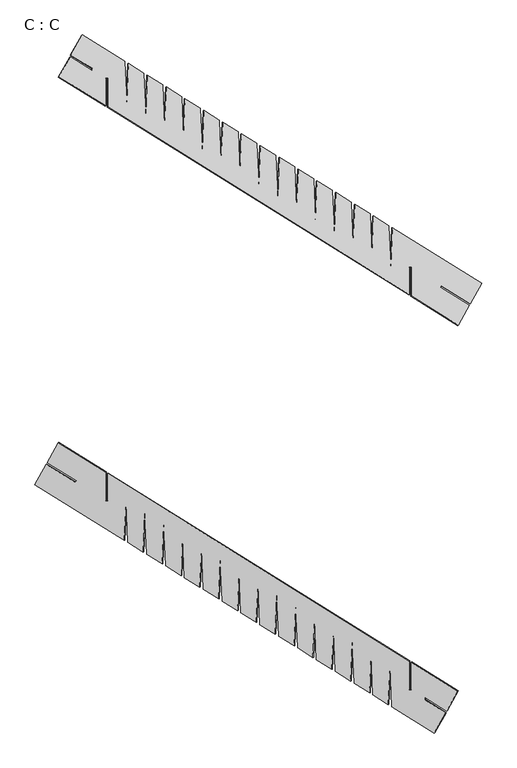
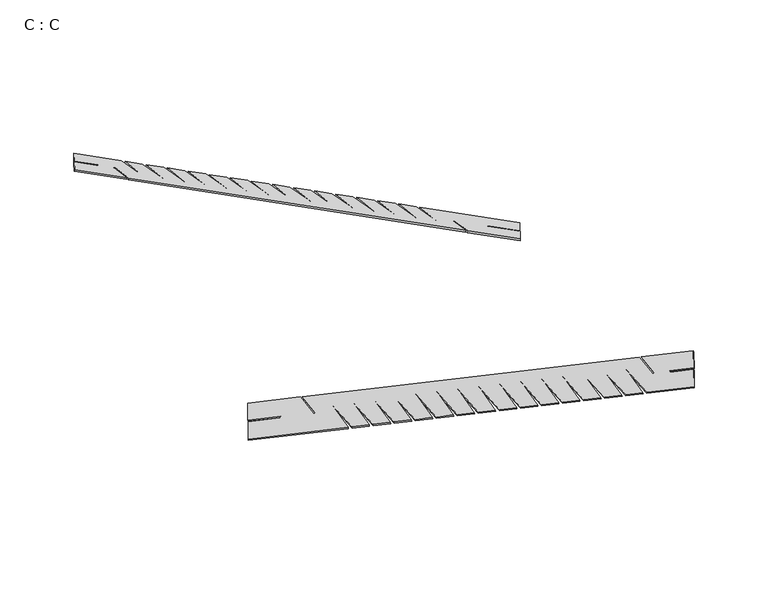
"""IFC4 building model written with IfcOpenShell, lengths in millimetres: proxy geometry, C : C."""

from ifc_helpers import new_model, si_unit, origin, place, context, project, spatial, faceted_brep, source, transform, mapped, element, save


def c_c_dd6566dd(model_context):
    return source(origin(), model_context, "Body", "Brep", [
        faceted_brep([(1401.1043704, 2129.5643888, 204.5375248), (1345.4773465, 2029.4722399, 174.1607995), (1492.1152035, 1938.2333028, 202.9374207), (1486.8321792, 1929.742734, 200.1991682), (1340.6075387, 2020.7083243, 171.5012915), (1282.6975086, 1918.9817978, 140.2352116), (1733.3795101, 1638.5648057, 228.6783019), (1741.8578862, 1831.2338343, 258.9386869), (1750.338653, 1628.0127273, 232.0064113), (1828.2747538, 1579.5204269, 247.3008086), (1836.7531298, 1772.1894555, 277.5611936), (1845.2338966, 1568.9683485, 250.628918), (1923.1699975, 1520.4760481, 265.9233153), (1931.6483735, 1713.1450768, 296.1837003), (1940.1291403, 1509.9239697, 269.2514247), (2018.0652411, 1461.4316694, 284.5458221), (2026.5436172, 1654.100698, 314.8062071), (2035.024384, 1450.879591, 287.8739315), (2112.9604848, 1402.3872906, 303.1683288), (2121.4388608, 1595.0563192, 333.4287138), (2129.9196276, 1391.8352122, 306.4964382), (2207.8557285, 1343.3429119, 321.7908355), (2216.3341045, 1536.0119405, 352.0512205), (2224.8148713, 1332.7908334, 325.1189449), (2302.7509722, 1284.2985331, 340.4133423), (2311.2293482, 1476.9675617, 370.6737273), (2319.710115, 1273.7464547, 343.7414516), (2397.6462158, 1225.2541543, 359.035849), (2406.1245918, 1417.9231829, 389.296234), (2414.6053586, 1214.7020759, 362.3639584), (2492.5414595, 1166.2097756, 377.6583557), (2501.0198355, 1358.8788042, 407.9187407), (2509.5006023, 1155.6576972, 380.9864651), (2587.4367032, 1107.1653968, 396.2808624), (2595.9150792, 1299.8344254, 426.5412474), (2604.395846, 1096.6133184, 399.6089718), (2682.3319468, 1048.121018, 414.9033692), (2690.8103228, 1240.7900467, 445.1637542), (2699.2910896, 1037.5689396, 418.2314786), (2777.2271905, 989.0766393, 433.5258759), (2785.7055665, 1181.7456679, 463.7862609), (2794.1863333, 978.5245609, 436.8539853), (2872.1224342, 930.0322605, 452.1483826), (2880.6008102, 1122.7012891, 482.4087676), (2889.081577, 919.4801821, 455.476492), (2967.0176778, 870.9878818, 470.7708894), (2975.4960539, 1063.6569104, 501.0312744), (2983.9768207, 860.4358033, 474.0989988), (3061.9129215, 811.943503, 489.3933961), (3070.3912975, 1004.6125316, 519.6537811), (3078.8720643, 801.3914246, 492.7215055), (3292.7369091, 668.3234603, 534.6909378), (3350.6322577, 770.0425096, 565.9517367), (3243.6509503, 836.6397614, 544.9621734), (3243.6508792, 848.4175033, 546.6636566), (3355.0329774, 779.1149067, 568.5215895), (3411.1437708, 878.9060512, 598.993251), (3176.6487524, 1024.8102309, 552.975296), (3176.6495832, 887.2387149, 533.1008907), (3166.6494747, 887.4179213, 530.2654347), (3166.6486074, 1031.03238, 551.0128397), (1648.3247087, 1975.7424401, 253.052732), (1648.3255395, 1838.1709241, 233.1783267), (1638.325431, 1838.3501305, 230.3428707), (1638.3245637, 1981.9645892, 251.0902757), (1641.0316878, 1983.3309972, 241.6305256), (1403.8149335, 2130.9325332, 195.0657554), (1641.0359942, 1839.718275, 220.8711013), (1651.0361027, 1839.5390686, 223.7065573), (1651.0352719, 1977.1105846, 243.5809626), (3169.3591706, 1032.4005244, 541.5410703), (3169.3600379, 888.7860658, 520.7936653), (3179.3601463, 888.6068594, 523.6291212), (3179.3593155, 1026.1783754, 543.5035266), (3413.854334, 880.2741957, 589.5214816), (3357.7435406, 780.4830511, 559.0498201), (3246.3614424, 849.7856478, 537.1918872), (3246.3615135, 838.0079059, 535.490404), (3353.3428208, 771.410654, 556.4799673), (3295.4474722, 669.6916048, 525.2191684), (3081.5826275, 802.7595691, 483.2497361), (3073.1018607, 1005.9806761, 510.1820117), (3064.6234847, 813.3116475, 479.9216267), (2986.6873838, 861.8039478, 464.6272293), (2978.206617, 1065.0250548, 491.5595049), (2969.728241, 872.3560262, 461.2991199), (2891.7921401, 920.8483266, 446.0047226), (2883.3113733, 1124.0694336, 472.9369982), (2874.8329973, 931.400405, 442.6766132), (2796.8968965, 979.8927053, 427.3822159), (2788.4161297, 1183.1138124, 454.3144915), (2779.9377536, 990.4447838, 424.0541065), (2702.0016528, 1038.9370841, 408.7597091), (2693.520886, 1242.1581911, 435.6919848), (2685.04251, 1049.4891625, 405.4315998), (2607.1064091, 1097.9814629, 390.1372024), (2598.6256423, 1301.2025699, 417.069478), (2590.1472663, 1108.5335413, 386.809093), (2512.2111655, 1157.0258416, 371.5146957), (2503.7303987, 1360.2469487, 398.4469713), (2495.2520226, 1167.57792, 368.1865863), (2417.3159218, 1216.0702204, 352.892189), (2408.835155, 1419.2913274, 379.8244646), (2400.356779, 1226.6222988, 349.5640796), (2322.4206781, 1275.1145992, 334.2696822), (2313.9399113, 1478.3357062, 361.2019578), (2305.4615353, 1285.6666776, 330.9415728), (2227.5254345, 1334.1589779, 315.6471755), (2219.0446677, 1537.3800849, 342.5794511), (2210.5662916, 1344.7110563, 312.3190661), (2132.6301908, 1393.2033567, 297.0246688), (2124.149424, 1596.4244637, 323.9569444), (2115.671048, 1403.7554351, 293.6965594), (2037.7349471, 1452.2477354, 278.402162), (2029.2541803, 1655.4688425, 305.3344376), (2020.7758043, 1462.7998139, 275.0740527), (1942.8397034, 1511.2921142, 259.7796553), (1934.3589366, 1714.5132212, 286.7119309), (1925.8805606, 1521.8441926, 256.4515459), (1847.9444598, 1570.336493, 241.1571486), (1839.463693, 1773.5576, 268.0894242), (1830.985317, 1580.8885714, 237.8290392), (1753.0492161, 1629.3808717, 222.5346418), (1744.5684493, 1832.6019787, 249.4669175), (1736.0900733, 1639.9329501, 219.2065325), (1285.4080718, 1920.3499423, 130.7634421), (1343.3181019, 2022.0764687, 162.0295221), (1489.5427424, 1931.1108785, 190.7273988), (1494.8257667, 1939.6014473, 193.4656513), (1348.1879097, 2030.8403844, 164.6890301)], [[[0, 1, 2, 3, 4, 5, 6, 7, 8, 9, 10, 11, 12, 13, 14, 15, 16, 17, 18, 19, 20, 21, 22, 23, 24, 25, 26, 27, 28, 29, 30, 31, 32, 33, 34, 35, 36, 37, 38, 39, 40, 41, 42, 43, 44, 45, 46, 47, 48, 49, 50, 51, 52, 53, 54, 55, 56, 57, 58, 59, 60, 61, 62, 63, 64]], [[64, 65, 66, 0]], [[66, 65, 67, 68, 69, 70, 71, 72, 73, 74, 75, 76, 77, 78, 79, 80, 81, 82, 83, 84, 85, 86, 87, 88, 89, 90, 91, 92, 93, 94, 95, 96, 97, 98, 99, 100, 101, 102, 103, 104, 105, 106, 107, 108, 109, 110, 111, 112, 113, 114, 115, 116, 117, 118, 119, 120, 121, 122, 123, 124, 125, 126, 127, 128, 129]], [[63, 67, 65, 64]], [[62, 68, 67, 63]], [[61, 69, 68, 62]], [[60, 70, 69, 61]], [[59, 71, 70, 60]], [[58, 72, 71, 59]], [[57, 73, 72, 58]], [[56, 74, 73, 57]], [[55, 75, 74, 56]], [[54, 76, 75, 55]], [[53, 77, 76, 54]], [[52, 78, 77, 53]], [[51, 79, 78, 52]], [[50, 80, 79, 51]], [[49, 81, 80, 50]], [[48, 82, 81, 49]], [[47, 83, 82, 48]], [[46, 84, 83, 47]], [[45, 85, 84, 46]], [[44, 86, 85, 45]], [[43, 87, 86, 44]], [[42, 88, 87, 43]], [[41, 89, 88, 42]], [[40, 90, 89, 41]], [[39, 91, 90, 40]], [[38, 92, 91, 39]], [[37, 93, 92, 38]], [[36, 94, 93, 37]], [[35, 95, 94, 36]], [[34, 96, 95, 35]], [[33, 97, 96, 34]], [[32, 98, 97, 33]], [[31, 99, 98, 32]], [[30, 100, 99, 31]], [[29, 101, 100, 30]], [[28, 102, 101, 29]], [[27, 103, 102, 28]], [[26, 104, 103, 27]], [[25, 105, 104, 26]], [[24, 106, 105, 25]], [[23, 107, 106, 24]], [[22, 108, 107, 23]], [[21, 109, 108, 22]], [[20, 110, 109, 21]], [[19, 111, 110, 20]], [[18, 112, 111, 19]], [[17, 113, 112, 18]], [[16, 114, 113, 17]], [[15, 115, 114, 16]], [[14, 116, 115, 15]], [[13, 117, 116, 14]], [[12, 118, 117, 13]], [[11, 119, 118, 12]], [[10, 120, 119, 11]], [[9, 121, 120, 10]], [[8, 122, 121, 9]], [[7, 123, 122, 8]], [[6, 124, 123, 7]], [[5, 125, 124, 6]], [[4, 126, 125, 5]], [[3, 127, 126, 4]], [[2, 128, 127, 3]], [[1, 129, 128, 2]], [[1, 0, 66, 129]]]),
        faceted_brep([(3413.8397657, 2721.0442565, 204.5375248), (3469.4667895, 2821.1364054, 174.1607995), (3322.8289325, 2912.3753425, 202.9374207), (3328.1119569, 2920.8659113, 200.1991682), (3474.3365973, 2829.900321, 171.5012915), (3532.2466275, 2931.6268475, 140.2352116), (3081.5646259, 3212.0438396, 228.6783019), (3073.0862499, 3019.374811, 258.9386869), (3064.6054831, 3222.595918, 232.0064113), (2986.6693823, 3271.0882184, 247.3008086), (2978.1910062, 3078.4191898, 277.5611936), (2969.7102394, 3281.6402968, 250.628918), (2891.7741386, 3330.1325972, 265.9233153), (2883.2957626, 3137.4635685, 296.1837003), (2874.8149958, 3340.6846756, 269.2514247), (2796.8788949, 3389.1769759, 284.5458221), (2788.4005189, 3196.5079473, 314.8062071), (2779.9197521, 3399.7290543, 287.8739315), (2701.9836513, 3448.2213547, 303.1683288), (2693.5052752, 3255.5523261, 333.4287138), (2685.0245084, 3458.7734331, 306.4964382), (2607.0884076, 3507.2657334, 321.7908355), (2598.6100316, 3314.5967048, 352.0512205), (2590.1292648, 3517.8178119, 325.1189449), (2512.1931639, 3566.3101122, 340.4133423), (2503.7147879, 3373.6410836, 370.6737273), (2495.2340211, 3576.8621906, 343.7414516), (2417.2979202, 3625.354491, 359.035849), (2408.8195442, 3432.6854624, 389.296234), (2400.3387774, 3635.9065694, 362.3639584), (2322.4026766, 3684.3988697, 377.6583557), (2313.9243006, 3491.7298411, 407.9187407), (2305.4435338, 3694.9509481, 380.9864651), (2227.5074329, 3743.4432485, 396.2808624), (2219.0290569, 3550.7742199, 426.5412474), (2210.5482901, 3753.9953269, 399.6089718), (2132.6121892, 3802.4876273, 414.9033692), (2124.1338132, 3609.8185986, 445.1637542), (2115.6530464, 3813.0397057, 418.2314786), (2037.7169456, 3861.532006, 433.5258759), (2029.2385696, 3668.8629774, 463.7862609), (2020.7578028, 3872.0840844, 436.8539853), (1942.8217019, 3920.5763848, 452.1483826), (1934.3433259, 3727.9073562, 482.4087676), (1925.8625591, 3931.1284632, 455.476492), (1847.9264582, 3979.6207635, 470.7708894), (1839.4480822, 3786.9517349, 501.0312744), (1830.9673154, 3990.172842, 474.0989988), (1753.0312146, 4038.6651423, 489.3933961), (1744.5528385, 3845.9961137, 519.6537811), (1736.0720717, 4049.2172207, 492.7215055), (1522.207227, 4182.285185, 534.6909378), (1464.3118784, 4080.5661357, 565.9517367), (1571.2931857, 4013.9688839, 544.9621734), (1571.2932568, 4002.191142, 546.6636566), (1459.9111587, 4071.4937386, 568.5215895), (1403.8003652, 3971.7025941, 598.993251), (1638.2953837, 3825.7984144, 552.975296), (1638.2945529, 3963.3699304, 533.1008907), (1648.2946614, 3963.190724, 530.2654347), (1648.2955287, 3819.5762653, 551.0128397), (3166.6194274, 2874.8662052, 253.052732), (3166.6185966, 3012.4377212, 233.1783267), (3176.618705, 3012.2585148, 230.3428707), (3176.6195723, 2868.6440561, 251.0902757), (3173.9124483, 2867.2776481, 241.6305256), (3411.1292025, 2719.6761121, 195.0657554), (3173.9081419, 3010.8903703, 220.8711013), (3163.9080334, 3011.0695767, 223.7065573), (3163.9088642, 2873.4980607, 243.5809626), (1645.5849655, 3818.2081209, 541.5410703), (1645.5840982, 3961.8225795, 520.7936653), (1635.5839897, 3962.0017859, 523.6291212), (1635.5848205, 3824.4302699, 543.5035266), (1401.0898021, 3970.3344496, 589.5214816), (1457.2005955, 4070.1255942, 559.0498201), (1568.5826937, 4000.8229975, 537.1918872), (1568.5826226, 4012.6007394, 535.490404), (1461.6013153, 4079.1979913, 556.4799673), (1519.4966639, 4180.9170405, 525.2191684), (1733.3615086, 4047.8490762, 483.2497361), (1741.8422754, 3844.6279692, 510.1820117), (1750.3206514, 4037.2969978, 479.9216267), (1828.2567523, 3988.8046975, 464.6272293), (1836.7375191, 3785.5835905, 491.5595049), (1845.2158951, 3978.2526191, 461.2991199), (1923.1519959, 3929.7603187, 446.0047226), (1931.6327627, 3726.5392117, 472.9369982), (1940.1111388, 3919.2082403, 442.6766132), (2018.0472396, 3870.71594, 427.3822159), (2026.5280064, 3667.4948329, 454.3144915), (2035.0063824, 3860.1638615, 424.0541065), (2112.9424833, 3811.6715612, 408.7597091), (2121.4232501, 3608.4504542, 435.6919848), (2129.9016261, 3801.1194828, 405.4315998), (2207.8377269, 3752.6271824, 390.1372024), (2216.3184937, 3549.4060754, 417.069478), (2224.7968698, 3742.075104, 386.809093), (2302.7329706, 3693.5828037, 371.5146957), (2311.2137374, 3490.3616966, 398.4469713), (2319.6921134, 3683.0307253, 368.1865863), (2397.6282143, 3634.5384249, 352.892189), (2406.1089811, 3431.3173179, 379.8244646), (2414.5873571, 3623.9863465, 349.5640796), (2492.5234579, 3575.4940461, 334.2696822), (2501.0042247, 3372.2729391, 361.2019578), (2509.4826008, 3564.9419677, 330.9415728), (2587.4187016, 3516.4496674, 315.6471755), (2595.8994684, 3313.2285604, 342.5794511), (2604.3778444, 3505.897589, 312.3190661), (2682.3139453, 3457.4052886, 297.0246688), (2690.7947121, 3254.1841816, 323.9569444), (2699.2730881, 3446.8532102, 293.6965594), (2777.209189, 3398.3609099, 278.402162), (2785.6899558, 3195.1398028, 305.3344376), (2794.1683318, 3387.8088314, 275.0740527), (2872.1044326, 3339.3165311, 259.7796553), (2880.5851994, 3136.0954241, 286.7119309), (2889.0635754, 3328.7644527, 256.4515459), (2966.9996763, 3280.2721523, 241.1571486), (2975.4804431, 3077.0510453, 268.0894242), (2983.9588191, 3269.7200739, 237.8290392), (3061.89492, 3221.2277736, 222.5346418), (3070.3756868, 3018.0066666, 249.4669175), (3078.8540628, 3210.6756952, 219.2065325), (3529.5360643, 2930.258703, 130.7634421), (3471.6260342, 2828.5321766, 162.0295221), (3325.4013937, 2919.4977668, 190.7273988), (3320.1183694, 2911.007198, 193.4656513), (3466.7562264, 2819.7682609, 164.6890301)], [[[0, 1, 2, 3, 4, 5, 6, 7, 8, 9, 10, 11, 12, 13, 14, 15, 16, 17, 18, 19, 20, 21, 22, 23, 24, 25, 26, 27, 28, 29, 30, 31, 32, 33, 34, 35, 36, 37, 38, 39, 40, 41, 42, 43, 44, 45, 46, 47, 48, 49, 50, 51, 52, 53, 54, 55, 56, 57, 58, 59, 60, 61, 62, 63, 64]], [[64, 65, 66, 0]], [[66, 65, 67, 68, 69, 70, 71, 72, 73, 74, 75, 76, 77, 78, 79, 80, 81, 82, 83, 84, 85, 86, 87, 88, 89, 90, 91, 92, 93, 94, 95, 96, 97, 98, 99, 100, 101, 102, 103, 104, 105, 106, 107, 108, 109, 110, 111, 112, 113, 114, 115, 116, 117, 118, 119, 120, 121, 122, 123, 124, 125, 126, 127, 128, 129]], [[63, 67, 65, 64]], [[62, 68, 67, 63]], [[61, 69, 68, 62]], [[60, 70, 69, 61]], [[59, 71, 70, 60]], [[58, 72, 71, 59]], [[57, 73, 72, 58]], [[56, 74, 73, 57]], [[55, 75, 74, 56]], [[54, 76, 75, 55]], [[53, 77, 76, 54]], [[52, 78, 77, 53]], [[51, 79, 78, 52]], [[50, 80, 79, 51]], [[49, 81, 80, 50]], [[48, 82, 81, 49]], [[47, 83, 82, 48]], [[46, 84, 83, 47]], [[45, 85, 84, 46]], [[44, 86, 85, 45]], [[43, 87, 86, 44]], [[42, 88, 87, 43]], [[41, 89, 88, 42]], [[40, 90, 89, 41]], [[39, 91, 90, 40]], [[38, 92, 91, 39]], [[37, 93, 92, 38]], [[36, 94, 93, 37]], [[35, 95, 94, 36]], [[34, 96, 95, 35]], [[33, 97, 96, 34]], [[32, 98, 97, 33]], [[31, 99, 98, 32]], [[30, 100, 99, 31]], [[29, 101, 100, 30]], [[28, 102, 101, 29]], [[27, 103, 102, 28]], [[26, 104, 103, 27]], [[25, 105, 104, 26]], [[24, 106, 105, 25]], [[23, 107, 106, 24]], [[22, 108, 107, 23]], [[21, 109, 108, 22]], [[20, 110, 109, 21]], [[19, 111, 110, 20]], [[18, 112, 111, 19]], [[17, 113, 112, 18]], [[16, 114, 113, 17]], [[15, 115, 114, 16]], [[14, 116, 115, 15]], [[13, 117, 116, 14]], [[12, 118, 117, 13]], [[11, 119, 118, 12]], [[10, 120, 119, 11]], [[9, 121, 120, 10]], [[8, 122, 121, 9]], [[7, 123, 122, 8]], [[6, 124, 123, 7]], [[5, 125, 124, 6]], [[4, 126, 125, 5]], [[3, 127, 126, 4]], [[2, 128, 127, 3]], [[1, 129, 128, 2]], [[1, 0, 66, 129]]]),
    ])


if __name__ == "__main__":
    model = new_model("IFC4")
    model_context = context("Model", 3, world=origin())
    ifc_project = project(units=[si_unit("LENGTHUNIT", "METRE", prefix="MILLI")], contexts=[model_context])
    site = spatial("IfcSite", under=ifc_project)
    building = spatial("IfcBuilding", under=site)
    placement = place(None, origin())
    c_c_shape = c_c_dd6566dd(model_context)
    element("IfcBuildingElementProxy", 1, Name="C : C", ObjectType="C : C", at=placement, inside=building, context=model_context, shape_type="MappedRepresentation", body=[
        mapped(c_c_shape, transform((0.0, 0.0, 0.0), x_axis=(1.0, 0.0, 0.0), y_axis=(0.0, 1.0, 0.0), z_axis=(0.0, 0.0, 1.0))),
    ])
    save(model, "model.ifc")
